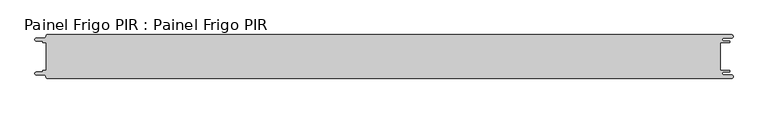
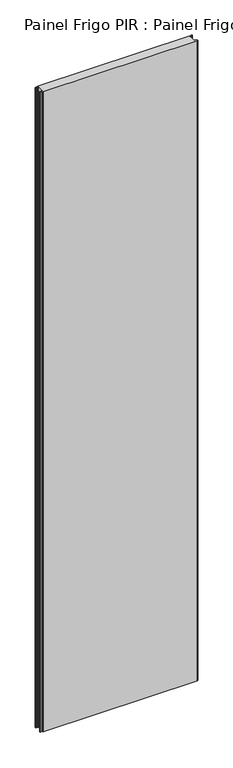
"""IFC4 building model written with IfcOpenShell, lengths in millimetres: proxy geometry, Painel Frigo PIR : Painel Frigo PIR."""

from ifc_helpers import new_model, si_unit, frame, origin, place, context, project, spatial, polyline, circle_curve, source, transform, mapped, element, save
from ifc_brep_helpers import plane_surface, cylinder_surface, revolved_surface, advanced_brep


def painel_frigo_pir_painel_frigo_pir_f73a0884(model_context):
    return source(origin(), model_context, "Body", "AdvancedBrep", [
        advanced_brep(
        [(-554.5874998, -22.3, 4800.0), (-555.1874998, -22.9, 4800.0), (-555.1874998, -23.7085184, 4800.0), (-556.5875001, -25.1085187, 4800.0), (-565.565625, -25.1085187, 4800.0), (-565.565625, -29.5085185, 4800.0), (-553.55, -29.5085185, 4800.0), (-550.0, -33.0585185, 4800.0), (-548.05, -35.0, 4800.0), (546.89375, -35.0, 4800.0), (546.89375, -29.725, 4800.0), (534.45625, -29.725, 4800.0), (534.45625, -24.875, 4800.0), (543.1187503, -24.875, 4800.0), (543.1187503, -22.3, 4800.0), (529.2687503, -22.3, 4800.0), (529.2687503, 22.3, 4800.0), (543.1187503, 22.3, 4800.0), (543.1187503, 24.875, 4800.0), (534.45625, 24.875, 4800.0), (534.45625, 29.725, 4800.0), (546.89375, 29.725, 4800.0), (546.89375, 35.0, 4800.0), (-548.05, 35.0, 4800.0), (-550.0, 33.05, 4800.0), (-553.55, 29.5085185, 4800.0), (-565.565625, 29.5085185, 4800.0), (-565.565625, 25.1085185, 4800.0), (-556.5875003, 25.1085185, 4800.0), (-555.1875003, 23.7085185, 4800.0), (-555.1875003, 22.9, 4800.0), (-554.5874998, 22.2999995, 4800.0), (-549.2999612, 22.2999995, 4800.0), (-549.2999612, -22.3, 4800.0), (-554.5874998, -22.3, 0.0), (-549.2999612, -22.3, 0.0), (-549.2999612, 22.2999995, 0.0), (-554.5874998, 22.2999995, 0.0), (-555.1875003, 22.9, 0.0), (-555.1875003, 23.7085185, 0.0), (-556.5875003, 25.1085185, 0.0), (-565.565625, 25.1085185, 0.0), (-565.565625, 29.5085185, 0.0), (-553.55, 29.5085185, 0.0), (-550.0, 33.0585185, 0.0), (-548.05, 35.0, 0.0), (546.89375, 35.0, 0.0), (546.89375, 29.725, 0.0), (534.45625, 29.725, 0.0), (534.45625, 24.875, 0.0), (543.1187503, 24.875, 0.0), (543.1187503, 22.3, 0.0), (529.2687503, 22.3, 0.0), (529.2687503, -22.3, 0.0), (543.1187503, -22.3, 0.0), (543.1187503, -24.875, 0.0), (534.45625, -24.875, 0.0), (534.45625, -29.725, 0.0), (546.89375, -29.725, 0.0), (546.89375, -35.0, 0.0), (-548.05, -35.0, 0.0), (-550.0, -33.05, 0.0), (-553.55, -29.5085185, 0.0), (-565.565625, -29.5085185, 0.0), (-565.565625, -25.1085187, 0.0), (-556.5875001, -25.1085187, 0.0), (-555.1874998, -23.7085184, 0.0), (-555.1874998, -22.9, 0.0)],
        [
            (0, 1, circle_curve(frame((-554.5874998, -22.9, 4800.0), z_axis=(0.0, 0.0, 1.0), x_axis=(1.0, 0.0, 0.0)), 0.6)),
            (1, 2),
            (2, 3, circle_curve(frame((-556.5875001, -23.7085184, 4800.0), z_axis=(0.0, 0.0, -1.0), x_axis=(1.0, 0.0, 0.0)), 1.4000003)),
            (3, 4),
            (4, 5, circle_curve(frame((-565.565625, -27.3085186, 4800.0), z_axis=(0.0, 0.0, 1.0), x_axis=(1.0, 0.0, 0.0)), 2.1999999)),
            (5, 6),
            (6, 7, circle_curve(frame((-553.55, -33.0585185, 4800.0), z_axis=(0.0, 0.0, -1.0), x_axis=(1.0, 0.0, 0.0)), 3.55)),
            (7, 8, circle_curve(frame((-548.05, -33.05, 4800.0), z_axis=(0.0, 0.0, 1.0), x_axis=(1.0, 0.0, 0.0)), 1.95)),
            (8, 9),
            (9, 10, circle_curve(frame((546.89375, -32.3625, 4800.0), z_axis=(0.0, 0.0, 1.0), x_axis=(1.0, 0.0, 0.0)), 2.6375)),
            (10, 11),
            (11, 12, circle_curve(frame((534.45625, -27.3, 4800.0), z_axis=(0.0, 0.0, -1.0), x_axis=(1.0, 0.0, 0.0)), 2.425)),
            (12, 13),
            (13, 14, circle_curve(frame((543.1187503, -23.5875, 4800.0), z_axis=(0.0, 0.0, 1.0), x_axis=(1.0, 0.0, 0.0)), 1.2875)),
            (14, 15),
            (15, 16),
            (16, 17),
            (17, 18, circle_curve(frame((543.1187503, 23.5875, 4800.0), z_axis=(0.0, 0.0, 1.0), x_axis=(1.0, 0.0, 0.0)), 1.2875)),
            (18, 19),
            (19, 20, circle_curve(frame((534.45625, 27.3, 4800.0), z_axis=(0.0, 0.0, -1.0), x_axis=(1.0, 0.0, 0.0)), 2.425)),
            (20, 21),
            (21, 22, circle_curve(frame((546.89375, 32.3625, 4800.0), z_axis=(0.0, 0.0, 1.0), x_axis=(1.0, 0.0, 0.0)), 2.6375)),
            (22, 23),
            (23, 24, circle_curve(frame((-548.05, 33.05, 4800.0), z_axis=(0.0, 0.0, 1.0), x_axis=(1.0, 0.0, 0.0)), 1.95)),
            (24, 25, circle_curve(frame((-553.55, 33.0585185, 4800.0), z_axis=(0.0, 0.0, -1.0), x_axis=(1.0, 0.0, 0.0)), 3.55)),
            (25, 26),
            (26, 27, circle_curve(frame((-565.565625, 27.3085185, 4800.0), z_axis=(0.0, 0.0, 1.0), x_axis=(1.0, 0.0, 0.0)), 2.2)),
            (27, 28),
            (28, 29, circle_curve(frame((-556.5875003, 23.7085185, 4800.0), z_axis=(0.0, 0.0, -1.0), x_axis=(1.0, 0.0, 0.0)), 1.4)),
            (29, 30),
            (30, 31, circle_curve(frame((-554.5874998, 22.9, 4800.0), z_axis=(0.0, 0.0, 1.0), x_axis=(1.0, 0.0, 0.0)), 0.6000005)),
            (31, 32),
            (32, 33),
            (33, 0),
            (34, 35),
            (35, 36),
            (36, 37),
            (37, 38, circle_curve(frame((-554.5874998, 22.9, 0.0), z_axis=(0.0, 0.0, -1.0), x_axis=(1.0, 0.0, 0.0)), 0.6000005)),
            (38, 39),
            (39, 40, circle_curve(frame((-556.5875003, 23.7085185, 0.0), z_axis=(0.0, 0.0, 1.0), x_axis=(1.0, 0.0, 0.0)), 1.4)),
            (40, 41),
            (41, 42, circle_curve(frame((-565.565625, 27.3085185, 0.0), z_axis=(0.0, 0.0, -1.0), x_axis=(1.0, 0.0, 0.0)), 2.2)),
            (42, 43),
            (43, 44, circle_curve(frame((-553.55, 33.0585185, 0.0), z_axis=(0.0, 0.0, 1.0), x_axis=(1.0, 0.0, 0.0)), 3.55)),
            (44, 45, circle_curve(frame((-548.05, 33.05, 0.0), z_axis=(0.0, 0.0, -1.0), x_axis=(1.0, 0.0, 0.0)), 1.95)),
            (45, 46),
            (46, 47, circle_curve(frame((546.89375, 32.3625, 0.0), z_axis=(0.0, 0.0, -1.0), x_axis=(1.0, 0.0, 0.0)), 2.6375)),
            (47, 48),
            (48, 49, circle_curve(frame((534.45625, 27.3, 0.0), z_axis=(0.0, 0.0, 1.0), x_axis=(1.0, 0.0, 0.0)), 2.425)),
            (49, 50),
            (50, 51, circle_curve(frame((543.1187503, 23.5875, 0.0), z_axis=(0.0, 0.0, -1.0), x_axis=(1.0, 0.0, 0.0)), 1.2875)),
            (51, 52),
            (52, 53),
            (53, 54),
            (54, 55, circle_curve(frame((543.1187503, -23.5875, 0.0), z_axis=(0.0, 0.0, -1.0), x_axis=(1.0, 0.0, 0.0)), 1.2875)),
            (55, 56),
            (56, 57, circle_curve(frame((534.45625, -27.3, 0.0), z_axis=(0.0, 0.0, 1.0), x_axis=(1.0, 0.0, 0.0)), 2.425)),
            (57, 58),
            (58, 59, circle_curve(frame((546.89375, -32.3625, 0.0), z_axis=(0.0, 0.0, -1.0), x_axis=(1.0, 0.0, 0.0)), 2.6375)),
            (59, 60),
            (60, 61, circle_curve(frame((-548.05, -33.05, 0.0), z_axis=(0.0, 0.0, -1.0), x_axis=(1.0, 0.0, 0.0)), 1.95)),
            (61, 62, circle_curve(frame((-553.55, -33.0585185, 0.0), z_axis=(0.0, 0.0, 1.0), x_axis=(1.0, 0.0, 0.0)), 3.55)),
            (62, 63),
            (63, 64, circle_curve(frame((-565.565625, -27.3085186, 0.0), z_axis=(0.0, 0.0, -1.0), x_axis=(1.0, 0.0, 0.0)), 2.1999999)),
            (64, 65),
            (65, 66, circle_curve(frame((-556.5875001, -23.7085184, 0.0), z_axis=(0.0, 0.0, 1.0), x_axis=(1.0, 0.0, 0.0)), 1.4000003)),
            (66, 67),
            (67, 34, circle_curve(frame((-554.5874998, -22.9, 0.0), z_axis=(0.0, 0.0, -1.0), x_axis=(1.0, 0.0, 0.0)), 0.6)),
            (33, 35),
            (34, 0),
            (32, 36),
            (31, 37),
            (30, 38),
            (29, 39),
            (28, 40),
            (27, 41),
            (26, 42),
            (25, 43),
            (24, 44),
            (23, 45),
            (22, 46),
            (15, 53),
            (52, 16),
            (14, 54),
            (13, 55),
            (12, 56),
            (11, 57),
            (10, 58),
            (9, 59),
            (8, 60),
            (7, 61),
            (6, 62),
            (5, 63),
            (4, 64),
            (3, 65),
            (2, 66),
            (1, 67),
            (21, 47),
            (20, 48),
            (19, 49),
            (18, 50),
            (17, 51),
        ],
        [
            plane_surface(frame((-549.2999612, -22.3, 4800.0), z_axis=(0.0, 0.0, 1.0), x_axis=(1.0, 0.0, 0.0))),
            plane_surface(frame((-549.2999612, -22.3, 0.0), z_axis=(0.0, 0.0, -1.0), x_axis=(-1.0, 0.0, 0.0))),
            plane_surface(frame((-554.5874998, -22.3, 4800.0), z_axis=(0.0, 1.0, 0.0), x_axis=(0.0, 0.0, -1.0))),
            plane_surface(frame((-549.2999612, -22.3, 4800.0), z_axis=(-1.0, 0.0, 0.0), x_axis=(0.0, 0.0, -1.0))),
            plane_surface(frame((-549.2999612, 22.2999995, 4800.0), z_axis=(0.0, -1.0, 0.0), x_axis=(0.0, 0.0, -1.0))),
            cylinder_surface(frame((-554.5874998, 22.9, 0.0), z_axis=(0.0, 0.0, 1.0), x_axis=(1.0, 0.0, 0.0)), 0.6000005),
            plane_surface(frame((-555.1875003, 22.9, 4800.0), z_axis=(-1.0, -1.7578608662329244e-12, 0.0), x_axis=(0.0, 0.0, -1.0))),
            revolved_surface(polyline([(-555.1875003, 23.7085185, 0.0), (-555.1875003, 23.7085185, 4800.0)]), (-556.5875003, 23.7085185, 0.0), (0.0, 0.0, -1.0)),
            plane_surface(frame((-556.5875003, 25.1085185, 4800.0), z_axis=(0.0, -1.0, 0.0), x_axis=(0.0, 0.0, -1.0))),
            cylinder_surface(frame((-565.565625, 27.3085185, 0.0), z_axis=(0.0, 0.0, 1.0), x_axis=(1.0, 0.0, 0.0)), 2.2),
            plane_surface(frame((-565.565625, 29.5085185, 4800.0), z_axis=(0.0, 1.0, 0.0), x_axis=(0.0, 0.0, -1.0))),
            revolved_surface(polyline([(-550.0, 33.0585185, 0.0), (-550.0, 33.0585185, 4800.0)]), (-553.55, 33.0585185, 0.0), (0.0, 0.0, -1.0)),
            cylinder_surface(frame((-548.05, 33.05, 0.0), z_axis=(0.0, 0.0, 1.0), x_axis=(1.0, 0.0, 0.0)), 1.95),
            plane_surface(frame((-548.05, 35.0, 4800.0), z_axis=(0.0, 1.0, 0.0), x_axis=(0.0, 0.0, -1.0))),
            plane_surface(frame((529.2687503, 22.3, 4800.0), z_axis=(1.0, 0.0, 0.0), x_axis=(0.0, 0.0, -1.0))),
            plane_surface(frame((529.2687503, -22.3, 4800.0), z_axis=(0.0, 1.0, 0.0), x_axis=(0.0, 0.0, -1.0))),
            cylinder_surface(frame((543.1187503, -23.5875, 0.0), z_axis=(0.0, 0.0, 1.0), x_axis=(1.0, 0.0, 0.0)), 1.2875),
            plane_surface(frame((543.1187503, -24.875, 4800.0), z_axis=(0.0, -1.0, 0.0), x_axis=(0.0, 0.0, -1.0))),
            revolved_surface(polyline([(536.8812499999999, -27.3, 0.0), (536.8812499999999, -27.3, 4800.0)]), (534.45625, -27.3, 0.0), (0.0, 0.0, -1.0)),
            plane_surface(frame((534.45625, -29.725, 4800.0), z_axis=(0.0, 1.0, 0.0), x_axis=(0.0, 0.0, -1.0))),
            cylinder_surface(frame((546.89375, -32.3625, 0.0), z_axis=(0.0, 0.0, 1.0), x_axis=(1.0, 0.0, 0.0)), 2.6375),
            plane_surface(frame((546.89375, -35.0, 4800.0), z_axis=(0.0, -1.0, 0.0), x_axis=(0.0, 0.0, -1.0))),
            cylinder_surface(frame((-548.05, -33.05, 0.0), z_axis=(0.0, 0.0, 1.0), x_axis=(1.0, 0.0, 0.0)), 1.95),
            revolved_surface(polyline([(-550.0, -33.0585185, 0.0), (-550.0, -33.0585185, 4800.0)]), (-553.55, -33.0585185, 0.0), (0.0, 0.0, -1.0)),
            plane_surface(frame((-553.55, -29.5085185, 4800.0), z_axis=(0.0, -1.0, 0.0), x_axis=(0.0, 0.0, -1.0))),
            cylinder_surface(frame((-565.565625, -27.3085186, 0.0), z_axis=(0.0, 0.0, 1.0), x_axis=(1.0, 0.0, 0.0)), 2.1999999),
            plane_surface(frame((-565.565625, -25.1085187, 4800.0), z_axis=(0.0, 1.0, 0.0), x_axis=(0.0, 0.0, -1.0))),
            revolved_surface(polyline([(-555.1874998000001, -23.7085184, 0.0), (-555.1874998000001, -23.7085184, 4800.0)]), (-556.5875001, -23.7085184, 0.0), (0.0, 0.0, -1.0)),
            plane_surface(frame((-555.1874998, -23.7085184, 4800.0), z_axis=(-1.0, 0.0, 0.0), x_axis=(0.0, 0.0, -1.0))),
            cylinder_surface(frame((-554.5874998, -22.9, 0.0), z_axis=(0.0, 0.0, 1.0), x_axis=(1.0, 0.0, 0.0)), 0.6),
            cylinder_surface(frame((546.89375, 32.3625, 0.0), z_axis=(0.0, 0.0, 1.0), x_axis=(1.0, 0.0, 0.0)), 2.6375),
            plane_surface(frame((546.89375, 29.725, 4800.0), z_axis=(0.0, -1.0, 0.0), x_axis=(0.0, 0.0, -1.0))),
            revolved_surface(polyline([(536.8812499999999, 27.3, 0.0), (536.8812499999999, 27.3, 4800.0)]), (534.45625, 27.3, 0.0), (0.0, 0.0, -1.0)),
            plane_surface(frame((534.45625, 24.875, 4800.0), z_axis=(0.0, 1.0, 0.0), x_axis=(0.0, 0.0, -1.0))),
            cylinder_surface(frame((543.1187503, 23.5875, 0.0), z_axis=(0.0, 0.0, 1.0), x_axis=(1.0, 0.0, 0.0)), 1.2875),
            plane_surface(frame((543.1187503, 22.3, 4800.0), z_axis=(0.0, -1.0, 0.0), x_axis=(0.0, 0.0, -1.0))),
        ],
        [
            (0, [[1, 2, 3, 4, 5, 6, 7, 8, 9, 10, 11, 12, 13, 14, 15, 16, 17, 18, 19, 20, 21, 22, 23, 24, 25, 26, 27, 28, 29, 30, 31, 32, 33, 34]]),
            (1, [[35, 36, 37, 38, 39, 40, 41, 42, 43, 44, 45, 46, 47, 48, 49, 50, 51, 52, 53, 54, 55, 56, 57, 58, 59, 60, 61, 62, 63, 64, 65, 66, 67, 68]]),
            (2, [[69, -35, 70, -34]]),
            (3, [[71, -36, -69, -33]]),
            (4, [[72, -37, -71, -32]]),
            (5, [[73, -38, -72, -31]]),
            (6, [[74, -39, -73, -30]]),
            (7, [[75, -40, -74, -29]]),
            (8, [[76, -41, -75, -28]]),
            (9, [[77, -42, -76, -27]]),
            (10, [[78, -43, -77, -26]]),
            (11, [[79, -44, -78, -25]]),
            (12, [[80, -45, -79, -24]]),
            (13, [[81, -46, -80, -23]]),
            (14, [[82, -53, 83, -16]]),
            (15, [[84, -54, -82, -15]]),
            (16, [[85, -55, -84, -14]]),
            (17, [[86, -56, -85, -13]]),
            (18, [[87, -57, -86, -12]]),
            (19, [[88, -58, -87, -11]]),
            (20, [[89, -59, -88, -10]]),
            (21, [[90, -60, -89, -9]]),
            (22, [[91, -61, -90, -8]]),
            (23, [[92, -62, -91, -7]]),
            (24, [[93, -63, -92, -6]]),
            (25, [[94, -64, -93, -5]]),
            (26, [[95, -65, -94, -4]]),
            (27, [[96, -66, -95, -3]]),
            (28, [[97, -67, -96, -2]]),
            (29, [[-70, -68, -97, -1]]),
            (30, [[98, -47, -81, -22]]),
            (31, [[99, -48, -98, -21]]),
            (32, [[100, -49, -99, -20]]),
            (33, [[101, -50, -100, -19]]),
            (34, [[102, -51, -101, -18]]),
            (35, [[-83, -52, -102, -17]]),
        ],
    ),
    ])


if __name__ == "__main__":
    model = new_model("IFC4")
    model_context = context("Model", 3, world=origin())
    ifc_project = project(units=[si_unit("LENGTHUNIT", "METRE", prefix="MILLI")], contexts=[model_context])
    site = spatial("IfcSite", under=ifc_project)
    building = spatial("IfcBuilding", under=site)
    placement = place(None, origin())
    painel_frigo_pir_painel_frigo_pir_shape = painel_frigo_pir_painel_frigo_pir_f73a0884(model_context)
    element("IfcBuildingElementProxy", 1, Name="Painel Frigo PIR : Painel Frigo PIR", ObjectType="Painel Frigo PIR : Painel Frigo PIR", at=placement, inside=building, context=model_context, shape_type="MappedRepresentation", body=[
        mapped(painel_frigo_pir_painel_frigo_pir_shape, transform((0.0, 0.0, 0.0), x_axis=(1.0, 0.0, 0.0), y_axis=(0.0, 1.0, 0.0), z_axis=(0.0, 0.0, 1.0))),
    ])
    save(model, "model.ifc")
